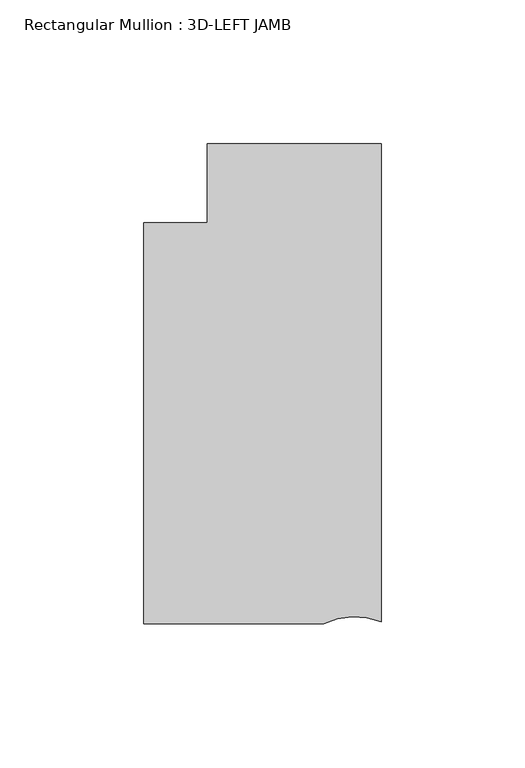
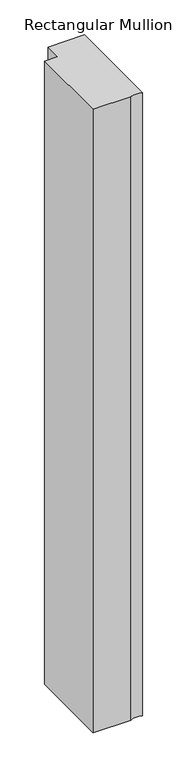
"""IFC4 building model written with IfcOpenShell, lengths in millimetres: member geometry, Rectangular Mullion : 3D-LEFT JAMB."""

from ifc_helpers import new_model, si_unit, point, frame, frame_2d, origin, place, context, project, spatial, polyline, circle_curve, trimmed, segment, composite_curve, outline, extrude, source, transform, mapped, element, save


def rectangular_mullion_3d_left_jamb_be20bec3(model_context):
    return source(origin(), model_context, "Body", "SweptSolid", [
        extrude(outline(composite_curve([segment(polyline([(-20.0963261, -82.8359809), (-82.7668749, -82.8359809), (-82.7668749, 56.8640141), (-60.5419882, 56.8640141), (-60.5419882, 84.4234809), (0.0, 84.4234809), (0.0, -82.1212843)]), True, "CONTINUOUS"), segment(trimmed(circle_curve(frame_2d((-9.2332881, -105.3918456)), 25.0354275), [point((0.0, -82.1212843))], [point((-20.0963261, -82.8359809))], True, "CARTESIAN"), True, "CONTINUOUS")], self_intersect=False)), frame((0.0, 0.0, -1091.7103332), z_axis=(0.0, 0.0, 1.0), x_axis=(1.0, 0.0, 0.0)), (0.0, 0.0, 1.0), 1091.7103332),
    ])


if __name__ == "__main__":
    model = new_model("IFC4")
    model_context = context("Model", 3, world=origin())
    ifc_project = project(units=[si_unit("LENGTHUNIT", "METRE", prefix="MILLI")], contexts=[model_context])
    site = spatial("IfcSite", under=ifc_project)
    building = spatial("IfcBuilding", under=site)
    placement = place(None, origin())
    rectangular_mullion_3d_left_jamb_shape = rectangular_mullion_3d_left_jamb_be20bec3(model_context)
    element("IfcMember", 1, ObjectType="Rectangular Mullion : 3D-LEFT JAMB", at=placement, inside=building, context=model_context, shape_type="MappedRepresentation", body=[
        mapped(rectangular_mullion_3d_left_jamb_shape, transform((0.0, 0.0, 0.0), x_axis=(1.0, 0.0, 0.0), y_axis=(0.0, 1.0, 0.0), z_axis=(0.0, 0.0, 1.0))),
    ])
    save(model, "model.ifc")
